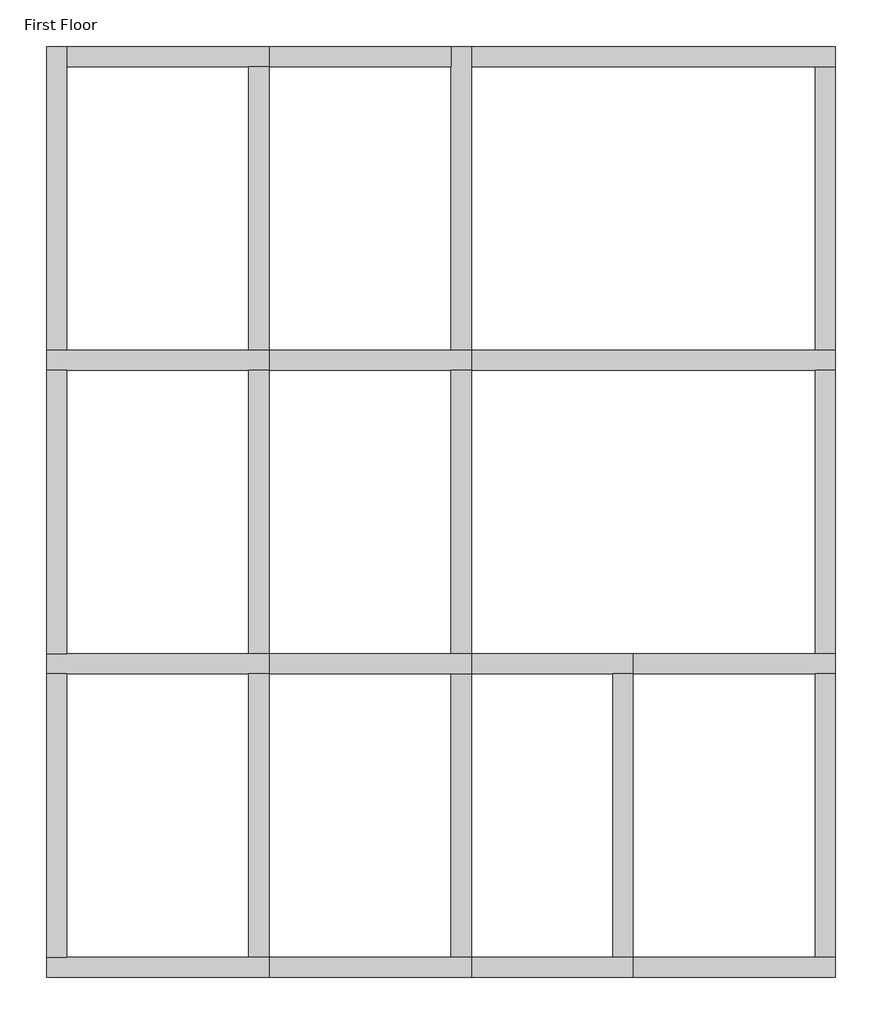
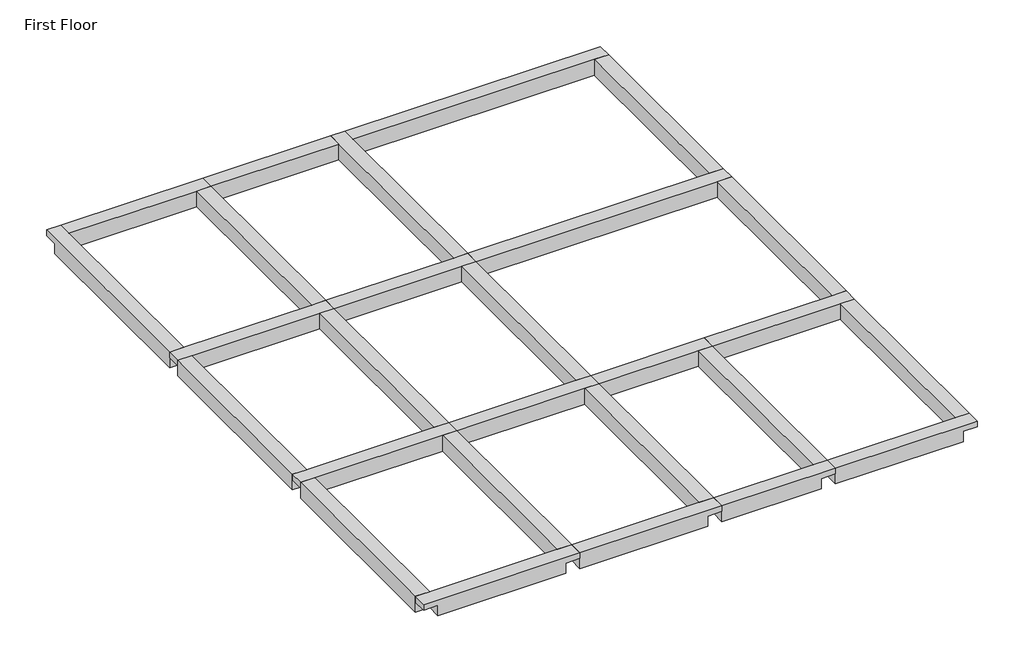
# One storey: 27 beams.
"""IFC4 building model written with IfcOpenShell, lengths in millimetres."""

import ifcopenshell
import ifcopenshell.guid

model = None  # the IFC model being written
_history = None  # IfcOwnerHistory: only IFC2X3 demands one
_inside = {}  # id of a spatial element -> (the spatial element, [elements in it])
_under = {}  # id of a project, library or spatial element -> (it, [spatial elements below it])
_declared = {}  # id of a project -> (the project, [libraries it declares])
_typed = {}  # id of a type object -> (the type object, [elements of that type])
_made_of = {}  # id of a material, layer set ... -> (it, [elements and type objects made of it])


def new_model(schema):
    """Start an empty IFC model of exactly this schema.

    Asked for "IFC4X3", IfcOpenShell would pick the latest addendum, in which some entities
    have other attributes; the version numbers below select the first issue.
    IFC2X3 requires an IfcOwnerHistory on every rooted entity: one is made here for all.
    """
    global model, _history
    if schema == "IFC4X3":
        model = ifcopenshell.file(schema_version=(4, 3, 0, 0))
    else:
        model = ifcopenshell.file(schema=schema)
    _inside.clear()
    _under.clear()
    _declared.clear()
    _typed.clear()
    _made_of.clear()
    _history = None
    if model.schema == "IFC2X3":
        org = make("IfcOrganization", Name="unknown")
        user = make(
            "IfcPersonAndOrganization",
            ThePerson=make("IfcPerson", FamilyName="unknown"),
            TheOrganization=org,
        )
        app = make(
            "IfcApplication",
            ApplicationDeveloper=org,
            Version="unknown",
            ApplicationFullName="unknown",
            ApplicationIdentifier="unknown",
        )
        _history = make(
            "IfcOwnerHistory",
            OwningUser=user,
            OwningApplication=app,
            ChangeAction="ADDED",
            CreationDate=0,
        )
    return model


def make(cls, **values):
    """One entity of the class cls with the attributes given. An attribute that is None is left unset."""
    return model.create_entity(
        cls, **{name: value for name, value in values.items() if value is not None}
    )


def rooted(cls, **values):
    """An entity with a GlobalId (a new one), such as an element, a storey or a relation."""
    return make(cls, GlobalId=ifcopenshell.guid.new(), OwnerHistory=_history, **values)


def si_unit(unit_type, name, prefix=None):
    """IfcSIUnit, for example si_unit("LENGTHUNIT", "METRE", prefix="MILLI")."""
    return make("IfcSIUnit", UnitType=unit_type, Prefix=prefix, Name=name)


def assignment(units):
    """IfcUnitAssignment: the units of a project."""
    return None if units is None else make("IfcUnitAssignment", Units=units)


def point(xyz):
    """IfcCartesianPoint."""
    return None if xyz is None else make("IfcCartesianPoint", Coordinates=xyz)


def direction(xyz):
    """IfcDirection."""
    return None if xyz is None else make("IfcDirection", DirectionRatios=xyz)


def frame(location, z_axis=None, x_axis=None):
    """IfcAxis2Placement3D, a coordinate frame: its origin and axes. An axis left out is left unset."""
    return make(
        "IfcAxis2Placement3D",
        Location=point(location),
        Axis=direction(z_axis),
        RefDirection=direction(x_axis),
    )


def origin():
    """The frame at (0, 0, 0) with its axes left unset."""
    return frame((0.0, 0.0, 0.0))


def place(relative_to, where):
    """IfcLocalPlacement: puts the frame where relative to a parent placement (None: the world)."""
    return make(
        "IfcLocalPlacement", PlacementRelTo=relative_to, RelativePlacement=where
    )


def context(
    kind, dimensions, precision=None, world=None, true_north=None, identifier=None
):
    """IfcGeometricRepresentationContext, for example the 3D "Model" context."""
    return make(
        "IfcGeometricRepresentationContext",
        ContextIdentifier=identifier,
        ContextType=kind,
        CoordinateSpaceDimension=dimensions,
        Precision=precision,
        WorldCoordinateSystem=world,
        TrueNorth=true_north,
    )


def project(units=None, contexts=None):
    """IfcProject with its units and contexts."""
    return rooted(
        "IfcProject",
        Name="project",
        RepresentationContexts=contexts,
        UnitsInContext=assignment(units),
    )


def spatial(cls, under=None, at=None, **own):
    """A site, building, storey or space (cls), placed at a placement, below another one or the project."""
    s = rooted(cls, ObjectPlacement=at, **own)
    if under is not None:
        _under.setdefault(under.id(), (under, []))[1].append(s)
    return s


def faces_of(points, faces, orient=None, outer=None):
    """IfcFace entities. A face is a list of loops; a loop is a list of indices into points, from 0.

    orient and outer hold one flag for each loop. By default every Orientation is true, the
    first loop of a face is its IfcFaceOuterBound and the others are IfcFaceBound.
    """
    made = []
    for i, loops in enumerate(faces):
        bounds = []
        for j, loop in enumerate(loops):
            is_outer = j == 0 if outer is None else outer[i][j]
            bounds.append(
                make(
                    "IfcFaceOuterBound" if is_outer else "IfcFaceBound",
                    Bound=make("IfcPolyLoop", Polygon=[points[k] for k in loop]),
                    Orientation=True if orient is None else orient[i][j],
                )
            )
        made.append(make("IfcFace", Bounds=bounds))
    return made


def faceted_brep(points, faces, orient=None, outer=None, voids=None):
    """IfcFacetedBrep: a solid bounded by flat faces; with voids (closed shells), ...WithVoids."""
    shared = [point(p) for p in points]
    hull = make("IfcClosedShell", CfsFaces=faces_of(shared, faces, orient, outer))
    if voids is None:
        return make("IfcFacetedBrep", Outer=hull)
    return make(
        "IfcFacetedBrepWithVoids",
        Outer=hull,
        Voids=[
            make(cls, CfsFaces=faces_of(shared, fs, o, b)) for cls, fs, o, b in voids
        ],
    )


def shape(context_of_items, identifier, shape_type, items):
    """IfcShapeRepresentation: the items that make up one representation, for example the "Body"."""
    return make(
        "IfcShapeRepresentation",
        ContextOfItems=context_of_items,
        RepresentationIdentifier=identifier,
        RepresentationType=shape_type,
        Items=items,
    )


def made_of(thing, what):
    """Note that an element or type object is made of a material, layer set ...; save() writes the relation."""
    if what is not None:
        _made_of.setdefault(what.id(), (what, []))[1].append(thing)
    return thing


def element(
    cls,
    number,
    at=None,
    inside=None,
    cuts=None,
    type_object=None,
    material=None,
    context=None,
    identifier="Body",
    shape_type=None,
    held_by="IfcProductDefinitionShape",
    body=None,
    shapes=None,
    **own,
):
    """One element of the class cls, such as IfcWall. Its Tag is "e" and its number.

    at: its placement. inside: the storey or other place that contains it. cuts: it is an
    opening in that element (IfcRelVoidsElement). A single representation is given by context,
    identifier, shape_type and body (its items); several are given by shapes. held_by: the class
    of the entity that holds the representations. save() writes the other relations.
    """
    e = rooted(cls, Tag="e%d" % number, ObjectPlacement=at, **own)
    if body is not None:
        shapes = [shape(context, identifier, shape_type, body)]
    if shapes is not None:
        e.Representation = make(held_by, Representations=shapes)
    if inside is not None:
        _inside.setdefault(inside.id(), (inside, []))[1].append(e)
    if cuts is not None:
        rooted(
            "IfcRelVoidsElement", RelatingBuildingElement=cuts, RelatedOpeningElement=e
        )
    if type_object is not None:
        _typed.setdefault(type_object.id(), (type_object, []))[1].append(e)
    return made_of(e, material)


def aggregate(whole, parts):
    """IfcRelAggregates: a whole, such as a stair, and the parts it consists of."""
    return rooted("IfcRelAggregates", RelatingObject=whole, RelatedObjects=parts)


def save(model, path):
    """Write the relations noted so far, then the file.

    IfcRelAggregates (storeys below a building ...), IfcRelContainedInSpatialStructure (elements
    in a storey), IfcRelDefinesByType, IfcRelAssociatesMaterial and IfcRelDeclares: one each for
    every whole, place, type object, material and project.
    """
    for whole, parts in _under.values():
        aggregate(whole, parts)
    for where, things in _inside.values():
        rooted(
            "IfcRelContainedInSpatialStructure",
            RelatedElements=things,
            RelatingStructure=where,
        )
    for kind, things in _typed.values():
        rooted("IfcRelDefinesByType", RelatedObjects=things, RelatingType=kind)
    for what, things in _made_of.values():
        rooted("IfcRelAssociatesMaterial", RelatedObjects=things, RelatingMaterial=what)
    for by, libraries in _declared.values():
        rooted("IfcRelDeclares", RelatingContext=by, RelatedDefinitions=libraries)
    model.write(path)


model = new_model("IFC4")

# Units and contexts
model_context = context("Model", 3, world=origin())
ifc_project = project(units=[si_unit("LENGTHUNIT", "METRE", prefix="MILLI")], contexts=[model_context])

# Site, building, storey
site = spatial("IfcSite", under=ifc_project)
building = spatial("IfcBuilding", under=site)
storey = spatial("IfcBuildingStorey", under=building, Name="First Floor", Elevation=2870.2)

# Beams
placement = place(None, origin())
element("IfcBeam", 1, ObjectType="Concrete-Rectangular Beam", at=placement, inside=storey, context=model_context, shape_type="Brep", body=[
    faceted_brep([(6210.1409002, -15344.0114294, 2870.2), (6210.1409002, -15039.2114294, 2870.2), (5905.3409002, -15039.2114294, 2870.2), (3162.1409002, -15039.2114294, 2870.2), (2857.3409002, -15039.2114294, 2870.2), (2857.3409002, -15344.0114294, 2870.2), (2857.3409002, -15344.0114294, 2743.2), (3162.1409002, -15344.0114294, 2743.2), (3162.1409002, -15344.0114294, 2514.6), (5905.3409002, -15344.0114294, 2514.6), (5905.3409002, -15344.0114294, 2743.2), (6210.1409002, -15344.0114294, 2743.2), (3162.1409002, -15039.2114294, 2514.6), (5905.3409002, -15039.2114294, 2514.6), (6210.1409002, -15039.2114294, 2743.2), (5905.3409002, -15039.2114294, 2743.2), (3162.1409002, -15039.2114294, 2743.2), (2857.3409002, -15039.2114294, 2743.2)], [[[0, 1, 2, 3, 4, 5]], [[0, 5, 6, 7, 8, 9, 10, 11]], [[8, 12, 13, 9]], [[4, 3, 2, 1, 14, 15, 13, 12, 16, 17]], [[1, 0, 11, 14]], [[5, 4, 17, 6]], [[7, 16, 12, 8]], [[16, 7, 6, 17]], [[15, 10, 9, 13]], [[10, 15, 14, 11]]]),
])
element("IfcBeam", 2, ObjectType="Concrete-Rectangular Beam", at=placement, inside=storey, context=model_context, shape_type="Brep", body=[
    faceted_brep([(9258.1409002, -15344.0114294, 2870.2), (9258.1409002, -15039.2114294, 2870.2), (8953.3409002, -15039.2114294, 2870.2), (6210.1409002, -15039.2114294, 2870.2), (6210.1409002, -15344.0114294, 2870.2), (6210.1409002, -15344.0114294, 2743.2), (6210.1409002, -15344.0114294, 2514.6), (8953.3409002, -15344.0114294, 2514.6), (8953.3409002, -15344.0114294, 2743.2), (9258.1409002, -15344.0114294, 2743.2), (6210.1409002, -15039.2114294, 2514.6), (8953.3409002, -15039.2114294, 2514.6), (9258.1409002, -15039.2114294, 2743.2), (8953.3409002, -15039.2114294, 2743.2), (6210.1409002, -15039.2114294, 2743.2)], [[[0, 1, 2, 3, 4]], [[0, 4, 5, 6, 7, 8, 9]], [[6, 10, 11, 7]], [[3, 2, 1, 12, 13, 11, 10, 14]], [[1, 0, 9, 12]], [[4, 3, 14, 10, 6, 5]], [[13, 8, 7, 11]], [[8, 13, 12, 9]]]),
])
element("IfcBeam", 3, ObjectType="Concrete-Rectangular Beam", at=placement, inside=storey, context=model_context, shape_type="Brep", body=[
    faceted_brep([(11696.5409002, -15344.0114294, 2870.2), (11696.5409002, -15039.2114294, 2870.2), (11391.7409002, -15039.2114294, 2870.2), (9258.1409002, -15039.2114294, 2870.2), (9258.1409002, -15344.0114294, 2870.2), (9258.1409002, -15344.0114294, 2743.2), (9258.1409002, -15344.0114294, 2514.6), (11391.7409002, -15344.0114294, 2514.6), (11391.7409002, -15344.0114294, 2743.2), (11696.5409002, -15344.0114294, 2743.2), (9258.1409002, -15039.2114294, 2514.6), (11391.7409002, -15039.2114294, 2514.6), (11696.5409002, -15039.2114294, 2743.2), (11391.7409002, -15039.2114294, 2743.2), (9258.1409002, -15039.2114294, 2743.2)], [[[0, 1, 2, 3, 4]], [[0, 4, 5, 6, 7, 8, 9]], [[6, 10, 11, 7]], [[3, 2, 1, 12, 13, 11, 10, 14]], [[1, 0, 9, 12]], [[4, 3, 14, 10, 6, 5]], [[13, 8, 7, 11]], [[8, 13, 12, 9]]]),
])
element("IfcBeam", 4, ObjectType="Concrete-Rectangular Beam", at=placement, inside=storey, context=model_context, shape_type="Brep", body=[
    faceted_brep([(14744.5409002, -15344.0114294, 2870.2), (14744.5409002, -15039.2114294, 2870.2), (14439.7409002, -15039.2114294, 2870.2), (11696.5409002, -15039.2114294, 2870.2), (11696.5409002, -15344.0114294, 2870.2), (11696.5409002, -15344.0114294, 2743.2), (11696.5409002, -15344.0114294, 2514.6), (14439.7409002, -15344.0114294, 2514.6), (14439.7409002, -15344.0114294, 2743.2), (14744.5409002, -15344.0114294, 2743.2), (11696.5409002, -15039.2114294, 2514.6), (14439.7409002, -15039.2114294, 2514.6), (14744.5409002, -15039.2114294, 2743.2), (14439.7409002, -15039.2114294, 2743.2), (11696.5409002, -15039.2114294, 2743.2)], [[[0, 1, 2, 3, 4]], [[0, 4, 5, 6, 7, 8, 9]], [[6, 10, 11, 7]], [[3, 2, 1, 12, 13, 11, 10, 14]], [[1, 0, 9, 12]], [[4, 3, 14, 10, 6, 5]], [[13, 8, 7, 11]], [[8, 13, 12, 9]]]),
])
element("IfcBeam", 5, ObjectType="Concrete-Rectangular Beam", at=placement, inside=storey, context=model_context, shape_type="Brep", body=[
    faceted_brep([(6210.1409002, -10772.0114294, 2870.2), (6210.1409002, -10467.2114294, 2870.2), (5905.3409002, -10467.2114294, 2870.2), (3162.1409002, -10467.2114294, 2870.2), (2857.3409002, -10467.2114294, 2870.2), (2857.3409002, -10772.0114294, 2870.2), (3162.1409002, -10772.0114294, 2870.2), (5905.3409002, -10772.0114294, 2870.2), (2857.3409002, -10772.0114294, 2743.2), (3162.1409002, -10772.0114294, 2743.2), (3162.1409002, -10772.0114294, 2514.6), (5905.3409002, -10772.0114294, 2514.6), (5905.3409002, -10772.0114294, 2743.2), (6210.1409002, -10772.0114294, 2743.2), (3162.1409002, -10467.2114294, 2514.6), (5905.3409002, -10467.2114294, 2514.6), (6210.1409002, -10467.2114294, 2743.2), (5905.3409002, -10467.2114294, 2743.2), (3162.1409002, -10467.2114294, 2743.2), (2857.3409002, -10467.2114294, 2743.2)], [[[0, 1, 2, 3, 4, 5, 6, 7]], [[0, 7, 6, 5, 8, 9, 10, 11, 12, 13]], [[10, 14, 15, 11]], [[4, 3, 2, 1, 16, 17, 15, 14, 18, 19]], [[1, 0, 13, 16]], [[5, 4, 19, 8]], [[9, 18, 14, 10]], [[18, 9, 8, 19]], [[17, 12, 11, 15]], [[12, 17, 16, 13]]]),
])
element("IfcBeam", 6, ObjectType="Concrete-Rectangular Beam", at=placement, inside=storey, context=model_context, shape_type="Brep", body=[
    faceted_brep([(9258.1409002, -10772.0114294, 2870.2), (9258.1409002, -10467.2114294, 2870.2), (8953.3409002, -10467.2114294, 2870.2), (6210.1409002, -10467.2114294, 2870.2), (6210.1409002, -10772.0114294, 2870.2), (8953.3409002, -10772.0114294, 2870.2), (6210.1409002, -10772.0114294, 2743.2), (6210.1409002, -10772.0114294, 2514.6), (8953.3409002, -10772.0114294, 2514.6), (8953.3409002, -10772.0114294, 2743.2), (9258.1409002, -10772.0114294, 2743.2), (6210.1409002, -10467.2114294, 2514.6), (8953.3409002, -10467.2114294, 2514.6), (9258.1409002, -10467.2114294, 2743.2), (8953.3409002, -10467.2114294, 2743.2), (6210.1409002, -10467.2114294, 2743.2)], [[[0, 1, 2, 3, 4, 5]], [[0, 5, 4, 6, 7, 8, 9, 10]], [[7, 11, 12, 8]], [[3, 2, 1, 13, 14, 12, 11, 15]], [[1, 0, 10, 13]], [[4, 3, 15, 11, 7, 6]], [[14, 9, 8, 12]], [[9, 14, 13, 10]]]),
])
element("IfcBeam", 7, ObjectType="Concrete-Rectangular Beam", at=placement, inside=storey, context=model_context, shape_type="Brep", body=[
    faceted_brep([(11696.5409002, -10772.0114294, 2870.2), (11696.5409002, -10467.2114294, 2870.2), (9258.1409002, -10467.2114294, 2870.2), (9258.1409002, -10772.0114294, 2870.2), (11391.7409002, -10772.0114294, 2870.2), (9258.1409002, -10772.0114294, 2743.2), (9258.1409002, -10772.0114294, 2514.6), (11391.7409002, -10772.0114294, 2514.6), (11391.7409002, -10772.0114294, 2743.2), (11696.5409002, -10772.0114294, 2743.2), (9258.1409002, -10467.2114294, 2514.6), (11391.7409002, -10467.2114294, 2514.6), (11696.5409002, -10467.2114294, 2743.2), (11391.7409002, -10467.2114294, 2743.2), (9258.1409002, -10467.2114294, 2743.2)], [[[0, 1, 2, 3, 4]], [[0, 4, 3, 5, 6, 7, 8, 9]], [[6, 10, 11, 7]], [[2, 1, 12, 13, 11, 10, 14]], [[1, 0, 9, 12]], [[3, 2, 14, 10, 6, 5]], [[13, 8, 7, 11]], [[8, 13, 12, 9]]]),
])
element("IfcBeam", 8, ObjectType="Concrete-Rectangular Beam", at=placement, inside=storey, context=model_context, shape_type="Brep", body=[
    faceted_brep([(14744.5409002, -10772.0114294, 2870.2), (14744.5409002, -10467.2114294, 2870.2), (14439.7409002, -10467.2114294, 2870.2), (11696.5409002, -10467.2114294, 2870.2), (11696.5409002, -10772.0114294, 2870.2), (14439.7409002, -10772.0114294, 2870.2), (11696.5409002, -10772.0114294, 2743.2), (11696.5409002, -10772.0114294, 2514.6), (14439.7409002, -10772.0114294, 2514.6), (14439.7409002, -10772.0114294, 2743.2), (14744.5409002, -10772.0114294, 2743.2), (11696.5409002, -10467.2114294, 2514.6), (14439.7409002, -10467.2114294, 2514.6), (14744.5409002, -10467.2114294, 2743.2), (14439.7409002, -10467.2114294, 2743.2), (11696.5409002, -10467.2114294, 2743.2)], [[[0, 1, 2, 3, 4, 5]], [[0, 5, 4, 6, 7, 8, 9, 10]], [[7, 11, 12, 8]], [[3, 2, 1, 13, 14, 12, 11, 15]], [[1, 0, 10, 13]], [[4, 3, 15, 11, 7, 6]], [[14, 9, 8, 12]], [[9, 14, 13, 10]]]),
])
element("IfcBeam", 9, ObjectType="Concrete-Rectangular Beam", at=placement, inside=storey, context=model_context, shape_type="Brep", body=[
    faceted_brep([(6210.1409002, -6200.0114294, 2870.2), (6210.1409002, -5895.2114294, 2870.2), (5905.3409002, -5895.2114294, 2870.2), (3162.1409002, -5895.2114294, 2870.2), (2857.3409002, -5895.2114294, 2870.2), (2857.3409002, -6200.0114294, 2870.2), (3162.1409002, -6200.0114294, 2870.2), (5905.3409002, -6200.0114294, 2870.2), (2857.3409002, -6200.0114294, 2743.2), (3162.1409002, -6200.0114294, 2743.2), (3162.1409002, -6200.0114294, 2514.6), (5905.3409002, -6200.0114294, 2514.6), (5905.3409002, -6200.0114294, 2743.2), (6210.1409002, -6200.0114294, 2743.2), (3162.1409002, -5895.2114294, 2514.6), (5905.3409002, -5895.2114294, 2514.6), (6210.1409002, -5895.2114294, 2743.2), (5905.3409002, -5895.2114294, 2743.2), (3162.1409002, -5895.2114294, 2743.2), (2857.3409002, -5895.2114294, 2743.2)], [[[0, 1, 2, 3, 4, 5, 6, 7]], [[0, 7, 6, 5, 8, 9, 10, 11, 12, 13]], [[10, 14, 15, 11]], [[4, 3, 2, 1, 16, 17, 15, 14, 18, 19]], [[1, 0, 13, 16]], [[5, 4, 19, 8]], [[9, 18, 14, 10]], [[18, 9, 8, 19]], [[17, 12, 11, 15]], [[12, 17, 16, 13]]]),
])
element("IfcBeam", 10, ObjectType="Concrete-Rectangular Beam", at=placement, inside=storey, context=model_context, shape_type="Brep", body=[
    faceted_brep([(9258.1409002, -6200.0114294, 2870.2), (9258.1409002, -5895.2114294, 2870.2), (8953.3409002, -5895.2114294, 2870.2), (6210.1409002, -5895.2114294, 2870.2), (6210.1409002, -6200.0114294, 2870.2), (8953.3409002, -6200.0114294, 2870.2), (6210.1409002, -6200.0114294, 2743.2), (6210.1409002, -6200.0114294, 2514.6), (8953.3409002, -6200.0114294, 2514.6), (8953.3409002, -6200.0114294, 2743.2), (9258.1409002, -6200.0114294, 2743.2), (6210.1409002, -5895.2114294, 2514.6), (8953.3409002, -5895.2114294, 2514.6), (9258.1409002, -5895.2114294, 2743.2), (8953.3409002, -5895.2114294, 2743.2), (6210.1409002, -5895.2114294, 2743.2)], [[[0, 1, 2, 3, 4, 5]], [[0, 5, 4, 6, 7, 8, 9, 10]], [[7, 11, 12, 8]], [[3, 2, 1, 13, 14, 12, 11, 15]], [[1, 0, 10, 13]], [[4, 3, 15, 11, 7, 6]], [[14, 9, 8, 12]], [[9, 14, 13, 10]]]),
])
element("IfcBeam", 11, ObjectType="Concrete-Rectangular Beam", at=placement, inside=storey, context=model_context, shape_type="Brep", body=[
    faceted_brep([(14744.5409002, -6200.0114294, 2870.2), (14744.5409002, -5895.2114294, 2870.2), (14439.7409002, -5895.2114294, 2870.2), (9258.1409002, -5895.2114294, 2870.2), (9258.1409002, -6200.0114294, 2870.2), (14439.7409002, -6200.0114294, 2870.2), (9258.1409002, -6200.0114294, 2743.2), (9258.1409002, -6200.0114294, 2514.6), (14439.7409002, -6200.0114294, 2514.6), (14439.7409002, -6200.0114294, 2743.2), (14744.5409002, -6200.0114294, 2743.2), (9258.1409002, -5895.2114294, 2514.6), (14439.7409002, -5895.2114294, 2514.6), (14744.5409002, -5895.2114294, 2743.2), (14439.7409002, -5895.2114294, 2743.2), (9258.1409002, -5895.2114294, 2743.2)], [[[0, 1, 2, 3, 4, 5]], [[0, 5, 4, 6, 7, 8, 9, 10]], [[7, 11, 12, 8]], [[3, 2, 1, 13, 14, 12, 11, 15]], [[1, 0, 10, 13]], [[4, 3, 15, 11, 7, 6]], [[14, 9, 8, 12]], [[9, 14, 13, 10]]]),
])
element("IfcBeam", 12, ObjectType="Concrete-Rectangular Beam", at=placement, inside=storey, context=model_context, shape_type="Brep", body=[
    faceted_brep([(3162.1409002, -1323.2114294, 2870.2), (2857.3409002, -1323.2114294, 2870.2), (2857.3409002, -5895.2114294, 2870.2), (3162.1409002, -5895.2114294, 2870.2), (3162.1409002, -1628.0114294, 2870.2), (2857.3409002, -1323.2114294, 2743.2), (2857.3409002, -1628.0114294, 2743.2), (2857.3409002, -1628.0114294, 2514.6), (2857.3409002, -5895.2114294, 2514.6), (2857.3409002, -5895.2114294, 2743.2), (3162.1409002, -5895.2114294, 2514.6), (3162.1409002, -1628.0114294, 2514.6), (3162.1409002, -5895.2114294, 2743.2), (3162.1409002, -1628.0114294, 2743.2), (3162.1409002, -1323.2114294, 2743.2)], [[[0, 1, 2, 3, 4]], [[2, 1, 5, 6, 7, 8, 9]], [[10, 8, 7, 11]], [[0, 4, 3, 12, 10, 11, 13, 14]], [[1, 0, 14, 5]], [[3, 2, 9, 8, 10, 12]], [[6, 13, 11, 7]], [[13, 6, 5, 14]]]),
])
element("IfcBeam", 13, ObjectType="Concrete-Rectangular Beam", at=placement, inside=storey, context=model_context, shape_type="Brep", body=[
    faceted_brep([(2857.3409002, -10467.2114294, 2870.2), (3162.1409002, -10467.2114294, 2870.2), (3162.1409002, -6200.0114294, 2870.2), (2857.3409002, -6200.0114294, 2870.2), (2857.3409002, -10467.2114294, 2514.6), (2857.3409002, -10467.2114294, 2743.2), (2857.3409002, -6200.0114294, 2743.2), (2857.3409002, -6200.0114294, 2514.6), (3162.1409002, -10467.2114294, 2514.6), (3162.1409002, -6200.0114294, 2514.6), (3162.1409002, -10467.2114294, 2743.2), (3162.1409002, -6200.0114294, 2743.2)], [[[0, 1, 2, 3]], [[4, 5, 0, 3, 6, 7]], [[8, 4, 7, 9]], [[1, 10, 8, 9, 11, 2]], [[1, 0, 5, 4, 8, 10]], [[3, 2, 11, 9, 7, 6]]]),
])
element("IfcBeam", 14, ObjectType="Concrete-Rectangular Beam", at=placement, inside=storey, context=model_context, shape_type="Brep", body=[
    faceted_brep([(2857.3409002, -15039.2114294, 2870.2), (3162.1409002, -15039.2114294, 2870.2), (3162.1409002, -10772.0114294, 2870.2), (2857.3409002, -10772.0114294, 2870.2), (2857.3409002, -15039.2114294, 2514.6), (2857.3409002, -15039.2114294, 2743.2), (2857.3409002, -10772.0114294, 2743.2), (2857.3409002, -10772.0114294, 2514.6), (3162.1409002, -15039.2114294, 2514.6), (3162.1409002, -10772.0114294, 2514.6), (3162.1409002, -15039.2114294, 2743.2), (3162.1409002, -10772.0114294, 2743.2)], [[[0, 1, 2, 3]], [[4, 5, 0, 3, 6, 7]], [[8, 4, 7, 9]], [[1, 10, 8, 9, 11, 2]], [[1, 0, 5, 4, 8, 10]], [[3, 2, 11, 9, 7, 6]]]),
])
element("IfcBeam", 15, ObjectType="Concrete-Rectangular Beam", at=placement, inside=storey, context=model_context, shape_type="Brep", body=[
    faceted_brep([(9258.1409002, -1323.2114294, 2870.2), (8953.3409002, -1323.2114294, 2870.2), (8953.3409002, -1628.0114294, 2870.2), (8953.3409002, -5895.2114294, 2870.2), (9258.1409002, -5895.2114294, 2870.2), (9258.1409002, -1628.0114294, 2870.2), (8953.3409002, -1323.2114294, 2743.2), (8953.3409002, -1628.0114294, 2743.2), (8953.3409002, -1628.0114294, 2514.6), (8953.3409002, -5895.2114294, 2514.6), (8953.3409002, -5895.2114294, 2743.2), (9258.1409002, -5895.2114294, 2514.6), (9258.1409002, -1628.0114294, 2514.6), (9258.1409002, -5895.2114294, 2743.2), (9258.1409002, -1628.0114294, 2743.2), (9258.1409002, -1323.2114294, 2743.2)], [[[0, 1, 2, 3, 4, 5]], [[3, 2, 1, 6, 7, 8, 9, 10]], [[11, 9, 8, 12]], [[0, 5, 4, 13, 11, 12, 14, 15]], [[1, 0, 15, 6]], [[4, 3, 10, 9, 11, 13]], [[7, 14, 12, 8]], [[14, 7, 6, 15]]]),
])
element("IfcBeam", 16, ObjectType="Concrete-Rectangular Beam", at=placement, inside=storey, context=model_context, shape_type="Brep", body=[
    faceted_brep([(8953.3409002, -10467.2114294, 2870.2), (9258.1409002, -10467.2114294, 2870.2), (9258.1409002, -6200.0114294, 2870.2), (8953.3409002, -6200.0114294, 2870.2), (8953.3409002, -10467.2114294, 2514.6), (8953.3409002, -10467.2114294, 2743.2), (8953.3409002, -6200.0114294, 2743.2), (8953.3409002, -6200.0114294, 2514.6), (9258.1409002, -10467.2114294, 2514.6), (9258.1409002, -6200.0114294, 2514.6), (9258.1409002, -10467.2114294, 2743.2), (9258.1409002, -6200.0114294, 2743.2)], [[[0, 1, 2, 3]], [[4, 5, 0, 3, 6, 7]], [[8, 4, 7, 9]], [[1, 10, 8, 9, 11, 2]], [[1, 0, 5, 4, 8, 10]], [[3, 2, 11, 9, 7, 6]]]),
])
element("IfcBeam", 17, ObjectType="Concrete-Rectangular Beam", at=placement, inside=storey, context=model_context, shape_type="Brep", body=[
    faceted_brep([(8953.3409002, -15039.2114294, 2870.2), (9258.1409002, -15039.2114294, 2870.2), (9258.1409002, -10772.0114294, 2870.2), (8953.3409002, -10772.0114294, 2870.2), (8953.3409002, -15039.2114294, 2514.6), (8953.3409002, -15039.2114294, 2743.2), (8953.3409002, -10772.0114294, 2743.2), (8953.3409002, -10772.0114294, 2514.6), (9258.1409002, -15039.2114294, 2514.6), (9258.1409002, -10772.0114294, 2514.6), (9258.1409002, -15039.2114294, 2743.2), (9258.1409002, -10772.0114294, 2743.2)], [[[0, 1, 2, 3]], [[4, 5, 0, 3, 6, 7]], [[8, 4, 7, 9]], [[1, 10, 8, 9, 11, 2]], [[1, 0, 5, 4, 8, 10]], [[3, 2, 11, 9, 7, 6]]]),
])
element("IfcBeam", 18, ObjectType="Concrete-Rectangular Beam", at=placement, inside=storey, context=model_context, shape_type="Brep", body=[
    faceted_brep([(11391.7409002, -15039.2114294, 2870.2), (11696.5409002, -15039.2114294, 2870.2), (11696.5409002, -10772.0114294, 2870.2), (11391.7409002, -10772.0114294, 2870.2), (11391.7409002, -15039.2114294, 2514.6), (11391.7409002, -15039.2114294, 2743.2), (11391.7409002, -10772.0114294, 2743.2), (11391.7409002, -10772.0114294, 2514.6), (11696.5409002, -15039.2114294, 2514.6), (11696.5409002, -10772.0114294, 2514.6), (11696.5409002, -15039.2114294, 2743.2), (11696.5409002, -10772.0114294, 2743.2)], [[[0, 1, 2, 3]], [[4, 5, 0, 3, 6, 7]], [[8, 4, 7, 9]], [[1, 10, 8, 9, 11, 2]], [[1, 0, 5, 4, 8, 10]], [[3, 2, 11, 9, 7, 6]]]),
])
element("IfcBeam", 19, ObjectType="Concrete-Rectangular Beam", at=placement, inside=storey, context=model_context, shape_type="Brep", body=[
    faceted_brep([(6210.1409002, -1628.0114294, 2870.2), (6210.1409002, -1323.2114294, 2870.2), (3162.1409002, -1323.2114294, 2870.2), (3162.1409002, -1628.0114294, 2870.2), (5905.3409002, -1628.0114294, 2870.2), (3162.1409002, -1628.0114294, 2743.2), (3162.1409002, -1628.0114294, 2514.6), (5905.3409002, -1628.0114294, 2514.6), (5905.3409002, -1628.0114294, 2743.2), (6210.1409002, -1628.0114294, 2743.2), (3162.1409002, -1323.2114294, 2514.6), (5905.3409002, -1323.2114294, 2514.6), (6210.1409002, -1323.2114294, 2743.2), (5905.3409002, -1323.2114294, 2743.2), (3162.1409002, -1323.2114294, 2743.2)], [[[0, 1, 2, 3, 4]], [[0, 4, 3, 5, 6, 7, 8, 9]], [[6, 10, 11, 7]], [[2, 1, 12, 13, 11, 10, 14]], [[1, 0, 9, 12]], [[3, 2, 14, 10, 6, 5]], [[13, 8, 7, 11]], [[8, 13, 12, 9]]]),
])
element("IfcBeam", 20, ObjectType="Concrete-Rectangular Beam", at=placement, inside=storey, context=model_context, shape_type="Brep", body=[
    faceted_brep([(8953.3409002, -1628.0114294, 2870.2), (8953.3409002, -1323.2114294, 2870.2), (6210.1409002, -1323.2114294, 2870.2), (6210.1409002, -1628.0114294, 2870.2), (8953.3409002, -1628.0114294, 2514.6), (8953.3409002, -1628.0114294, 2743.2), (6210.1409002, -1628.0114294, 2743.2), (6210.1409002, -1628.0114294, 2514.6), (8953.3409002, -1323.2114294, 2514.6), (6210.1409002, -1323.2114294, 2514.6), (8953.3409002, -1323.2114294, 2743.2), (6210.1409002, -1323.2114294, 2743.2)], [[[0, 1, 2, 3]], [[4, 5, 0, 3, 6, 7]], [[8, 4, 7, 9]], [[1, 10, 8, 9, 11, 2]], [[1, 0, 5, 4, 8, 10]], [[3, 2, 11, 9, 7, 6]]]),
])
element("IfcBeam", 21, ObjectType="Concrete-Rectangular Beam", at=placement, inside=storey, context=model_context, shape_type="Brep", body=[
    faceted_brep([(14744.5409002, -1628.0114294, 2870.2), (14744.5409002, -1323.2114294, 2870.2), (9258.1409002, -1323.2114294, 2870.2), (9258.1409002, -1628.0114294, 2870.2), (14439.7409002, -1628.0114294, 2870.2), (9258.1409002, -1628.0114294, 2743.2), (9258.1409002, -1628.0114294, 2514.6), (14439.7409002, -1628.0114294, 2514.6), (14439.7409002, -1628.0114294, 2743.2), (14744.5409002, -1628.0114294, 2743.2), (9258.1409002, -1323.2114294, 2514.6), (14439.7409002, -1323.2114294, 2514.6), (14744.5409002, -1323.2114294, 2743.2), (14439.7409002, -1323.2114294, 2743.2), (9258.1409002, -1323.2114294, 2743.2)], [[[0, 1, 2, 3, 4]], [[0, 4, 3, 5, 6, 7, 8, 9]], [[6, 10, 11, 7]], [[2, 1, 12, 13, 11, 10, 14]], [[1, 0, 9, 12]], [[3, 2, 14, 10, 6, 5]], [[13, 8, 7, 11]], [[8, 13, 12, 9]]]),
])
element("IfcBeam", 22, ObjectType="Concrete-Rectangular Beam", at=placement, inside=storey, context=model_context, shape_type="Brep", body=[
    faceted_brep([(14439.7409002, -5895.2114294, 2870.2), (14744.5409002, -5895.2114294, 2870.2), (14744.5409002, -1628.0114294, 2870.2), (14439.7409002, -1628.0114294, 2870.2), (14439.7409002, -5895.2114294, 2514.6), (14439.7409002, -5895.2114294, 2743.2), (14439.7409002, -1628.0114294, 2743.2), (14439.7409002, -1628.0114294, 2514.6), (14744.5409002, -5895.2114294, 2514.6), (14744.5409002, -1628.0114294, 2514.6), (14744.5409002, -5895.2114294, 2743.2), (14744.5409002, -1628.0114294, 2743.2)], [[[0, 1, 2, 3]], [[4, 5, 0, 3, 6, 7]], [[8, 4, 7, 9]], [[1, 10, 8, 9, 11, 2]], [[1, 0, 5, 4, 8, 10]], [[3, 2, 11, 9, 7, 6]]]),
])
element("IfcBeam", 23, ObjectType="Concrete-Rectangular Beam", at=placement, inside=storey, context=model_context, shape_type="Brep", body=[
    faceted_brep([(14439.7409002, -10467.2114294, 2870.2), (14744.5409002, -10467.2114294, 2870.2), (14744.5409002, -6200.0114294, 2870.2), (14439.7409002, -6200.0114294, 2870.2), (14439.7409002, -10467.2114294, 2514.6), (14439.7409002, -10467.2114294, 2743.2), (14439.7409002, -6200.0114294, 2743.2), (14439.7409002, -6200.0114294, 2514.6), (14744.5409002, -10467.2114294, 2514.6), (14744.5409002, -6200.0114294, 2514.6), (14744.5409002, -10467.2114294, 2743.2), (14744.5409002, -6200.0114294, 2743.2)], [[[0, 1, 2, 3]], [[4, 5, 0, 3, 6, 7]], [[8, 4, 7, 9]], [[1, 10, 8, 9, 11, 2]], [[1, 0, 5, 4, 8, 10]], [[3, 2, 11, 9, 7, 6]]]),
])
element("IfcBeam", 24, ObjectType="Concrete-Rectangular Beam", at=placement, inside=storey, context=model_context, shape_type="Brep", body=[
    faceted_brep([(14439.7409002, -15039.2114294, 2870.2), (14744.5409002, -15039.2114294, 2870.2), (14744.5409002, -10772.0114294, 2870.2), (14439.7409002, -10772.0114294, 2870.2), (14439.7409002, -15039.2114294, 2514.6), (14439.7409002, -15039.2114294, 2743.2), (14439.7409002, -10772.0114294, 2743.2), (14439.7409002, -10772.0114294, 2514.6), (14744.5409002, -15039.2114294, 2514.6), (14744.5409002, -10772.0114294, 2514.6), (14744.5409002, -15039.2114294, 2743.2), (14744.5409002, -10772.0114294, 2743.2)], [[[0, 1, 2, 3]], [[4, 5, 0, 3, 6, 7]], [[8, 4, 7, 9]], [[1, 10, 8, 9, 11, 2]], [[1, 0, 5, 4, 8, 10]], [[3, 2, 11, 9, 7, 6]]]),
])
element("IfcBeam", 25, ObjectType="Concrete-Rectangular Beam", at=placement, inside=storey, context=model_context, shape_type="Brep", body=[
    faceted_brep([(5905.3409002, -5895.2114294, 2870.2), (6210.1409002, -5895.2114294, 2870.2), (6210.1409002, -1628.0114294, 2870.2), (5905.3409002, -1628.0114294, 2870.2), (5905.3409002, -5895.2114294, 2514.6), (5905.3409002, -5895.2114294, 2743.2), (5905.3409002, -1628.0114294, 2743.2), (5905.3409002, -1628.0114294, 2514.6), (6210.1409002, -5895.2114294, 2514.6), (6210.1409002, -1628.0114294, 2514.6), (6210.1409002, -5895.2114294, 2743.2), (6210.1409002, -1628.0114294, 2743.2)], [[[0, 1, 2, 3]], [[4, 5, 0, 3, 6, 7]], [[8, 4, 7, 9]], [[1, 10, 8, 9, 11, 2]], [[1, 0, 5, 4, 8, 10]], [[3, 2, 11, 9, 7, 6]]]),
])
element("IfcBeam", 26, ObjectType="Concrete-Rectangular Beam", at=placement, inside=storey, context=model_context, shape_type="Brep", body=[
    faceted_brep([(5905.3409002, -10467.2114294, 2870.2), (6210.1409002, -10467.2114294, 2870.2), (6210.1409002, -6200.0114294, 2870.2), (5905.3409002, -6200.0114294, 2870.2), (5905.3409002, -10467.2114294, 2514.6), (5905.3409002, -10467.2114294, 2743.2), (5905.3409002, -6200.0114294, 2743.2), (5905.3409002, -6200.0114294, 2514.6), (6210.1409002, -10467.2114294, 2514.6), (6210.1409002, -6200.0114294, 2514.6), (6210.1409002, -10467.2114294, 2743.2), (6210.1409002, -6200.0114294, 2743.2)], [[[0, 1, 2, 3]], [[4, 5, 0, 3, 6, 7]], [[8, 4, 7, 9]], [[1, 10, 8, 9, 11, 2]], [[1, 0, 5, 4, 8, 10]], [[3, 2, 11, 9, 7, 6]]]),
])
element("IfcBeam", 27, ObjectType="Concrete-Rectangular Beam", at=placement, inside=storey, context=model_context, shape_type="Brep", body=[
    faceted_brep([(5905.3409002, -15039.2114294, 2870.2), (6210.1409002, -15039.2114294, 2870.2), (6210.1409002, -10772.0114294, 2870.2), (5905.3409002, -10772.0114294, 2870.2), (5905.3409002, -15039.2114294, 2514.6), (5905.3409002, -15039.2114294, 2743.2), (5905.3409002, -10772.0114294, 2743.2), (5905.3409002, -10772.0114294, 2514.6), (6210.1409002, -15039.2114294, 2514.6), (6210.1409002, -10772.0114294, 2514.6), (6210.1409002, -15039.2114294, 2743.2), (6210.1409002, -10772.0114294, 2743.2)], [[[0, 1, 2, 3]], [[4, 5, 0, 3, 6, 7]], [[8, 4, 7, 9]], [[1, 10, 8, 9, 11, 2]], [[1, 0, 5, 4, 8, 10]], [[3, 2, 11, 9, 7, 6]]]),
])

save(model, "model.ifc")
